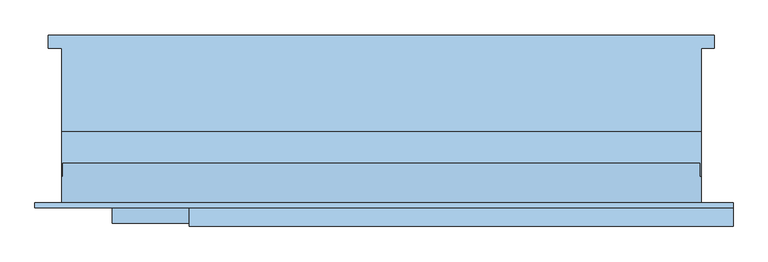
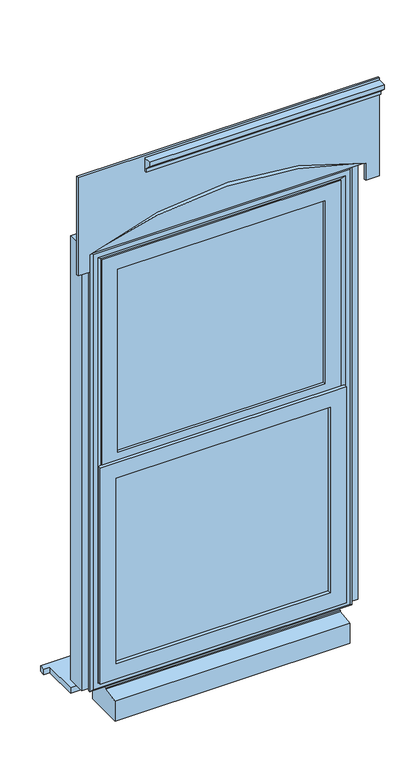
"""IFC4 building model written with IfcOpenShell, lengths in millimetres: window geometry."""

from ifc_helpers import new_model, si_unit, point, frame, frame_2d, origin, place, context, project, spatial, polyline, circle_curve, trimmed, segment, composite_curve, outline, extrude, faceted_brep, source, transform, mapped, element, save


def window_8308692b(model_context):
    return source(origin(), model_context, "Body", "SolidModel", [
        extrude(outline(polyline([(-625.0, 161.5434322), (625.0, 161.5434322), (625.0, 136.5434322), (600.0, 136.5434322), (600.0, -20.4565678), (-600.0, -20.4565678), (-600.0, 136.5434322), (-625.0, 136.5434322), (-625.0, 161.5434322)])), frame((0.0, 0.0, 10.0), z_axis=(0.0, 0.0, 1.0), x_axis=(1.0, 0.0, 0.0)), (0.0, 0.0, 1.0), 25.0),
        faceted_brep([(-600.0, -20.4565678, 73.0), (-600.0, -20.4565678, 2110.0), (600.0, -20.4565678, 2110.0), (600.0, -20.4565678, 73.0), (540.0, -20.4565678, 73.0), (540.0, -20.4565678, 2050.0), (-540.0, -20.4565678, 2050.0), (-540.0, -20.4565678, 73.0), (-600.0, -103.4565678, 73.0), (-600.0, -103.4565678, 2110.0), (-560.0, -103.4565678, 73.0), (-560.0, -103.4565678, 2070.0), (560.0, -103.4565678, 2070.0), (560.0, -103.4565678, 73.0), (600.0, -103.4565678, 73.0), (600.0, -103.4565678, 2110.0), (-560.0, -38.4565678, 73.0), (-560.0, -38.4565678, 2070.0), (-540.0, -38.4565678, 73.0), (-540.0, -38.4565678, 2050.0), (540.0, -38.4565678, 2050.0), (540.0, -38.4565678, 73.0), (560.0, -38.4565678, 73.0), (560.0, -38.4565678, 2070.0)], [[[0, 1, 2, 3, 4, 5, 6, 7]], [[8, 9, 1, 0]], [[10, 11, 12, 13, 14, 15, 9, 8]], [[16, 17, 11, 10]], [[18, 19, 20, 21, 22, 23, 17, 16]], [[7, 6, 19, 18]], [[1, 9, 15, 2]], [[11, 17, 23, 12]], [[5, 20, 19, 6]], [[2, 15, 14, 3]], [[12, 23, 22, 13]], [[4, 21, 20, 5]], [[7, 18, 16, 10, 8, 0]], [[3, 14, 13, 22, 21, 4]]]),
        faceted_brep([(515.0, -20.4565678, 85.0), (515.0, -38.4565678, 85.0), (515.0, -38.4565678, 73.0), (515.0, -103.4565678, 73.0), (515.0, -103.4565678, 61.0), (515.0, -118.4565678, 59.68767), (515.0, -118.4565678, 54.7449676), (515.0, -190.9565678, 43.8088847), (515.0, -190.9565678, -47.0), (515.0, -20.4565678, -47.0), (-505.0, -20.4565678, 85.0), (-505.0, -20.4565678, -47.0), (-505.0, -190.9565678, -47.0), (-505.0, -190.9565678, 43.8088847), (-505.0, -118.4565678, 54.7449676), (-505.0, -118.4565678, 59.68767), (-505.0, -103.4565678, 61.0), (-505.0, -103.4565678, 73.0), (-505.0, -38.4565678, 73.0), (-505.0, -38.4565678, 85.0)], [[[0, 1, 2, 3, 4, 5, 6, 7, 8, 9]], [[10, 11, 12, 13, 14, 15, 16, 17, 18, 19]], [[8, 12, 11, 9]], [[7, 13, 12, 8]], [[6, 14, 13, 7]], [[5, 15, 14, 6]], [[4, 16, 15, 5]], [[2, 18, 17, 3]], [[0, 10, 19, 1]], [[9, 11, 10, 0]], [[3, 17, 16, 4]], [[1, 19, 18, 2]]]),
        extrude(outline(polyline([(530.0, -67.4565678), (530.0, -91.4565678), (-530.0, -91.4565678), (-530.0, -67.4565678), (530.0, -67.4565678)])), frame((0.0, 0.0, 103.0), z_axis=(0.0, 0.0, 1.0), x_axis=(1.0, 0.0, 0.0)), (0.0, 0.0, 1.0), 1937.0),
        faceted_brep([(-570.0, -103.4565678, 2080.0), (-570.0, -103.4565678, 63.0), (-570.0, -111.7300705, 63.0), (-570.0, -111.7300705, 2080.0), (-560.0, -38.4565678, 2070.0), (-560.0, -38.4565678, 73.0), (-560.0, -103.4565678, 73.0), (-560.0, -103.4565678, 2070.0), (-520.0, -52.9494677, 2030.0), (-520.0, -52.9494677, 113.0), (-530.1480377, -38.4565678, 102.8519623), (-530.1480377, -38.4565678, 2040.1480377), (-520.0, -67.4565678, 2030.0), (-520.0, -67.4565678, 113.0), (-530.0, -91.4565678, 2040.0), (-530.0, -91.4565678, 103.0), (-530.0, -67.4565678, 103.0), (-530.0, -67.4565678, 2040.0), (-520.0, -109.2300705, 2030.0), (-520.0, -109.2300705, 113.0), (-520.0, -91.4565678, 113.0), (-520.0, -91.4565678, 2030.0), (-537.4457548, -120.0035732, 2047.4457548), (-537.4457548, -120.0035732, 95.5542452), (-559.2153903, -120.0035732, 73.7846097), (-559.2153903, -120.0035732, 2069.2153903), (570.0, -103.4565678, 63.0), (570.0, -111.7300705, 63.0), (560.0, -38.4565678, 73.0), (560.0, -103.4565678, 73.0), (520.0, -52.9494677, 113.0), (530.1480377, -38.4565678, 102.8519623), (520.0, -67.4565678, 113.0), (530.0, -91.4565678, 103.0), (530.0, -67.4565678, 103.0), (520.0, -109.2300705, 113.0), (520.0, -91.4565678, 113.0), (537.4457548, -120.0035732, 95.5542452), (559.2153903, -120.0035732, 73.7846097), (570.0, -103.4565678, 2080.0), (570.0, -111.7300705, 2080.0), (560.0, -38.4565678, 2070.0), (560.0, -103.4565678, 2070.0), (520.0, -52.9494677, 2030.0), (530.1480377, -38.4565678, 2040.1480377), (520.0, -67.4565678, 2030.0), (530.0, -91.4565678, 2040.0), (530.0, -67.4565678, 2040.0), (520.0, -109.2300705, 2030.0), (520.0, -91.4565678, 2030.0), (537.4457548, -120.0035732, 2047.4457548), (559.2153903, -120.0035732, 2069.2153903)], [[[0, 1, 2, 3]], [[4, 5, 6, 7]], [[8, 9, 10, 11]], [[12, 13, 9, 8]], [[14, 15, 16, 17]], [[18, 19, 20, 21]], [[22, 23, 19, 18]], [[3, 2, 24, 25]], [[1, 26, 27, 2]], [[5, 28, 29, 6]], [[9, 30, 31, 10]], [[13, 32, 30, 9]], [[15, 33, 34, 16]], [[19, 35, 36, 20]], [[23, 37, 35, 19]], [[2, 27, 38, 24]], [[26, 39, 40, 27]], [[28, 41, 42, 29]], [[30, 43, 44, 31]], [[32, 45, 43, 30]], [[33, 46, 47, 34]], [[35, 48, 49, 36]], [[37, 50, 48, 35]], [[27, 40, 51, 38]], [[39, 0, 3, 40]], [[1, 0, 39, 26], [7, 6, 29, 42]], [[41, 4, 7, 42]], [[5, 4, 41, 28], [11, 10, 31, 44]], [[43, 8, 11, 44]], [[45, 12, 8, 43]], [[17, 16, 34, 47], [13, 12, 45, 32]], [[46, 14, 17, 47]], [[15, 14, 46, 33], [21, 20, 36, 49]], [[48, 18, 21, 49]], [[50, 22, 18, 48]], [[25, 24, 38, 51], [23, 22, 50, 37]], [[40, 3, 25, 51]]]),
        extrude(outline(polyline([(1086.5, -535.0), (95.800695, -535.0), (95.800695, 535.0), (1086.5, 535.0), (1086.5, -535.0)]), holes=[polyline([(165.800695, -465.0), (1016.5, -465.0), (1016.5, 465.0), (165.800695, 465.0), (165.800695, -465.0)])]), frame((0.0, -130.9565678, 0.0), z_axis=(0.0, 1.0, 0.0), x_axis=(0.0, 0.0, 1.0)), (0.0, 0.0, 1.0), 15.9529946),
        extrude(outline(polyline([(-163.1390049, 2410.0), (-173.1390049, 2410.0), (-173.1390049, 2425.0), (-197.8877422, 2449.7487373), (-197.8877422, 2470.0), (-163.1390049, 2470.0), (-163.1390049, 2410.0)])), frame((-360.0, 0.0, 0.0), z_axis=(1.0, 0.0, 0.0), x_axis=(0.0, 1.0, 0.0)), (0.0, 0.0, 1.0), 1020.0),
        extrude(outline(composite_curve([segment(polyline([(2110.0, -600.0), (2110.0, 600.0)]), True, "CONTINUOUS"), segment(trimmed(circle_curve(frame_2d((380.6732354, 0.0)), 1830.4565165), [point((2110.0, 600.0))], [point((2110.0, -600.0))], False, "CARTESIAN"), True, "CONTINUOUS")], self_intersect=False)), frame((0.0, -159.6629421, 0.0), z_axis=(0.0, 1.0, 0.0), x_axis=(0.0, 0.0, 1.0)), (0.0, 0.0, 1.0), 80.3363325),
        extrude(outline(composite_curve([segment(polyline([(2030.0, 660.0), (2480.0, 660.0), (2480.0, -650.0), (2030.0, -650.0), (2030.0, -600.0), (2110.0, -600.0)]), True, "CONTINUOUS"), segment(trimmed(circle_curve(frame_2d((680.6732354, 0.0)), 1550.1532182), [point((2110.0, -600.0))], [point((2110.0, 600.0))], True, "CARTESIAN"), True, "CONTINUOUS"), segment(polyline([(2110.0, 600.0), (2030.0, 600.0), (2030.0, 660.0)]), True, "CONTINUOUS")], self_intersect=False)), frame((0.0, -163.1390049, 0.0), z_axis=(0.0, 1.0, 0.0), x_axis=(0.0, 0.0, 1.0)), (0.0, 0.0, 1.0), 9.682437),
        extrude(outline(polyline([(2030.0, -520.0), (1051.5, -520.0), (1051.5, 520.0), (2030.0, 520.0), (2030.0, -520.0)]), holes=[polyline([(1120.7960231, -450.7039769), (1960.7039769, -450.7039769), (1960.7039769, 450.7039769), (1120.7960231, 450.7039769), (1120.7960231, -450.7039769)])]), frame((0.0, -115.0035732, 0.0), z_axis=(0.0, 1.0, 0.0), x_axis=(0.0, 0.0, 1.0)), (0.0, 0.0, 1.0), 11.5470054),
    ])


if __name__ == "__main__":
    model = new_model("IFC4")
    model_context = context("Model", 3, world=origin())
    ifc_project = project(units=[si_unit("LENGTHUNIT", "METRE", prefix="MILLI")], contexts=[model_context])
    site = spatial("IfcSite", under=ifc_project)
    building = spatial("IfcBuilding", under=site)
    placement = place(None, origin())
    window_shape = window_8308692b(model_context)
    element("IfcWindow", 1, at=placement, inside=building, context=model_context, shape_type="MappedRepresentation", body=[
        mapped(window_shape, transform((0.0, 0.0, 0.0), x_axis=(1.0, 0.0, 0.0), y_axis=(0.0, 1.0, 0.0), z_axis=(0.0, 0.0, 1.0))),
    ])
    save(model, "model.ifc")
